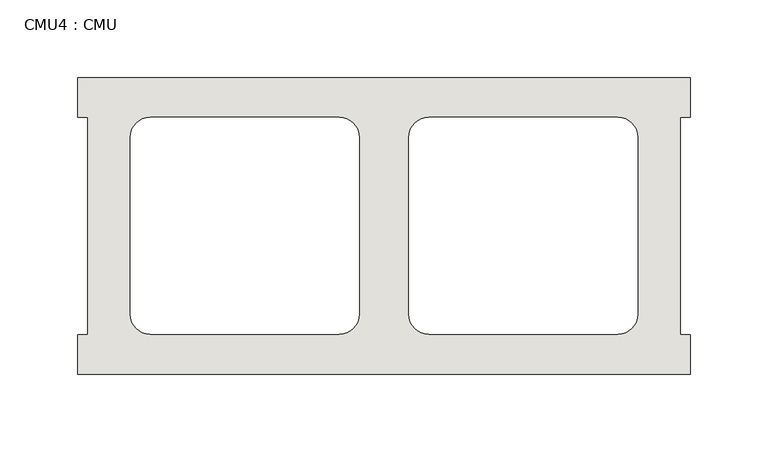
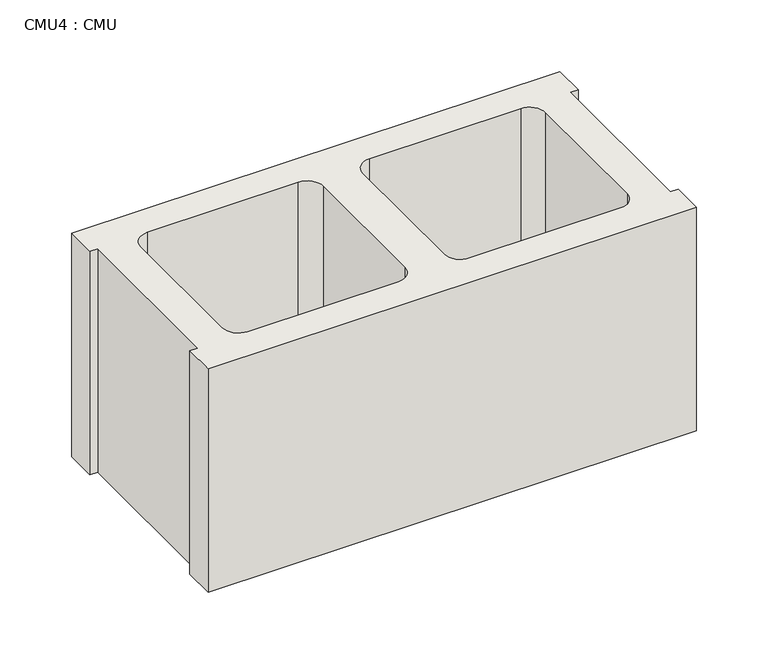
"""IFC4 building model written with IfcOpenShell, lengths in millimetres: wall geometry, CMU4 : CMU."""

from ifc_helpers import new_model, si_unit, point, frame, frame_2d, origin, place, context, project, spatial, polyline, circle_curve, trimmed, segment, composite_curve, outline, extrude, source, transform, mapped, element, save


def cmu4_cmu_e435fd47(model_context):
    return source(origin(), model_context, "Body", "SweptSolid", [
        extrude(outline(polyline([(865.0602062, 2484.2276522), (1258.7602062, 2484.2276522), (1258.7602062, 2458.8276522), (1252.4102062, 2458.8276522), (1252.4102062, 2319.1276522), (1258.7602062, 2319.1276522), (1258.7602062, 2293.7276522), (865.0602062, 2293.7276522), (865.0602062, 2319.1276522), (871.4102062, 2319.1276522), (871.4102062, 2458.8276522), (865.0602062, 2458.8276522), (865.0602062, 2484.2276522)]), holes=[composite_curve([segment(polyline([(1033.2282049, 2458.8276522), (911.5115548, 2458.8276522)]), True, "CONTINUOUS"), segment(trimmed(circle_curve(frame_2d((911.5115548, 2446.1276522)), 12.7), [point((911.5115548, 2458.8276522))], [point((898.8115548, 2446.1276522))], True, "CARTESIAN"), True, "CONTINUOUS"), segment(polyline([(898.8115548, 2446.1276522), (898.8115548, 2332.0618125)]), True, "CONTINUOUS"), segment(trimmed(circle_curve(frame_2d((911.5115548, 2332.0618125)), 12.7), [point((898.8115548, 2332.0618125))], [point((911.5115548, 2319.3618125))], True, "CARTESIAN"), True, "CONTINUOUS"), segment(polyline([(911.5115548, 2319.3618125), (1033.2282049, 2319.3618125)]), True, "CONTINUOUS"), segment(trimmed(circle_curve(frame_2d((1033.2282049, 2332.0618125)), 12.7), [point((1033.2282049, 2319.3618125))], [point((1045.9282049, 2332.0618125))], True, "CARTESIAN"), True, "CONTINUOUS"), segment(polyline([(1045.9282049, 2332.0618125), (1045.9282049, 2446.1276522)]), True, "CONTINUOUS"), segment(trimmed(circle_curve(frame_2d((1033.2282049, 2446.1276522)), 12.7), [point((1045.9282049, 2446.1276522))], [point((1033.2282049, 2458.8276522))], True, "CARTESIAN"), True, "CONTINUOUS")], self_intersect=False), composite_curve([segment(trimmed(circle_curve(frame_2d((1090.5922075, 2446.1276522)), 12.7), [point((1090.5922075, 2458.8276522))], [point((1077.8922075, 2446.1276522))], True, "CARTESIAN"), True, "CONTINUOUS"), segment(polyline([(1077.8922075, 2446.1276522), (1077.8922075, 2332.0618125)]), True, "CONTINUOUS"), segment(trimmed(circle_curve(frame_2d((1090.5922075, 2332.0618125)), 12.7), [point((1077.8922075, 2332.0618125))], [point((1090.5922075, 2319.3618125))], True, "CARTESIAN"), True, "CONTINUOUS"), segment(polyline([(1090.5922075, 2319.3618125), (1212.3088576, 2319.3618125)]), True, "CONTINUOUS"), segment(trimmed(circle_curve(frame_2d((1212.3088576, 2332.0618125)), 12.7), [point((1212.3088576, 2319.3618125))], [point((1225.0088576, 2332.0618125))], True, "CARTESIAN"), True, "CONTINUOUS"), segment(polyline([(1225.0088576, 2332.0618125), (1225.0088576, 2446.1276522)]), True, "CONTINUOUS"), segment(trimmed(circle_curve(frame_2d((1212.3088576, 2446.1276522)), 12.7), [point((1225.0088576, 2446.1276522))], [point((1212.3088576, 2458.8276522))], True, "CARTESIAN"), True, "CONTINUOUS"), segment(polyline([(1212.3088576, 2458.8276522), (1090.5922075, 2458.8276522)]), True, "CONTINUOUS")], self_intersect=False)]), frame((0.0, 0.0, 317.5), z_axis=(0.0, 0.0, 1.0), x_axis=(1.0, 0.0, 0.0)), (0.0, 0.0, 1.0), 190.5),
    ])


if __name__ == "__main__":
    model = new_model("IFC4")
    model_context = context("Model", 3, world=origin())
    ifc_project = project(units=[si_unit("LENGTHUNIT", "METRE", prefix="MILLI")], contexts=[model_context])
    site = spatial("IfcSite", under=ifc_project)
    building = spatial("IfcBuilding", under=site)
    placement = place(None, origin())
    cmu4_cmu_shape = cmu4_cmu_e435fd47(model_context)
    element("IfcWall", 1, ObjectType="CMU4 : CMU", at=placement, inside=building, context=model_context, shape_type="MappedRepresentation", body=[
        mapped(cmu4_cmu_shape, transform((0.0, 0.0, 0.0), x_axis=(1.0, 0.0, 0.0), y_axis=(0.0, 1.0, 0.0), z_axis=(0.0, 0.0, 1.0))),
    ])
    save(model, "model.ifc")
